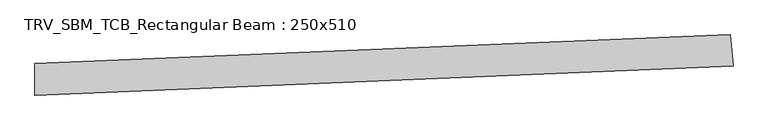
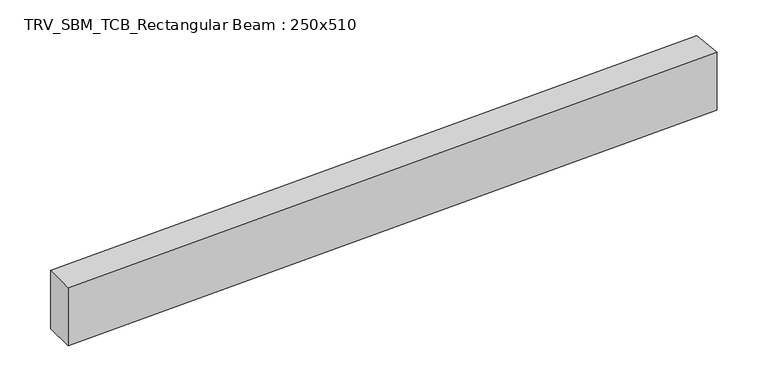
"""IFC4 building model written with IfcOpenShell, lengths in millimetres: beam geometry, TRV_SBM_TCB_Rectangular Beam : 250x510."""

from ifc_helpers import new_model, si_unit, point, frame, frame_2d, origin, place, context, project, spatial, polyline, circle_curve, trimmed, segment, composite_curve, outline, extrude, source, transform, mapped, element, save


def trv_sbm_tcb_rectangular_beam_250x510_d77868d2(model_context):
    return source(origin(), model_context, "Body", "SweptSolid", [
        extrude(outline(composite_curve([segment(polyline([(5484.2502711, 354.3057558), (5505.1196305, 105.1783389)]), True, "CONTINUOUS"), segment(trimmed(circle_curve(frame_2d((0.0, 65822.3961789)), 65947.3961789), [point((5505.1196305, 105.1783389))], [point((-12.7250122, -124.9987723))], False, "CARTESIAN"), True, "CONTINUOUS"), segment(polyline([(-12.7250122, -124.9987723), (-12.676773, 125.001223)]), True, "CONTINUOUS"), segment(trimmed(circle_curve(frame_2d((0.0, 65822.3961789)), 65697.3961789), [point((-12.676773, 125.001223))], [point((5484.2502711, 354.3057558))], True, "CARTESIAN"), True, "CONTINUOUS")], self_intersect=False)), frame((0.0, 0.0, -255.0), z_axis=(0.0, 0.0, 1.0), x_axis=(1.0, 0.0, 0.0)), (0.0, 0.0, 1.0), 510.0),
    ])


if __name__ == "__main__":
    model = new_model("IFC4")
    model_context = context("Model", 3, world=origin())
    ifc_project = project(units=[si_unit("LENGTHUNIT", "METRE", prefix="MILLI")], contexts=[model_context])
    site = spatial("IfcSite", under=ifc_project)
    building = spatial("IfcBuilding", under=site)
    placement = place(None, origin())
    trv_sbm_tcb_rectangular_beam_250x510_shape = trv_sbm_tcb_rectangular_beam_250x510_d77868d2(model_context)
    element("IfcBeam", 1, ObjectType="TRV_SBM_TCB_Rectangular Beam : 250x510", at=placement, inside=building, context=model_context, shape_type="MappedRepresentation", body=[
        mapped(trv_sbm_tcb_rectangular_beam_250x510_shape, transform((0.0, 0.0, 0.0), x_axis=(1.0, 0.0, 0.0), y_axis=(0.0, 1.0, 0.0), z_axis=(0.0, 0.0, 1.0))),
    ])
    save(model, "model.ifc")
